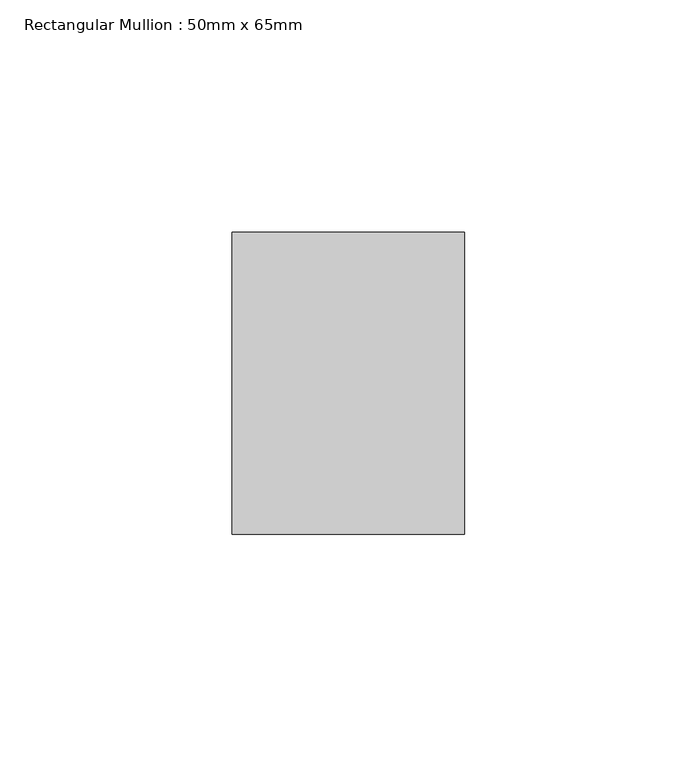
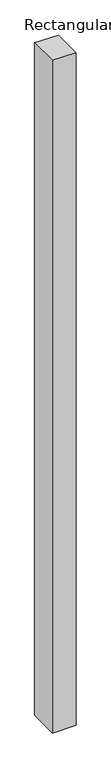
"""IFC4 building model written with IfcOpenShell, lengths in millimetres: member geometry, Rectangular Mullion : 50mm x 65mm."""

from ifc_helpers import new_model, si_unit, origin, place, context, project, spatial, faceted_brep, source, transform, mapped, element, save


def rectangular_mullion_50mm_x_65mm_54551a6b(model_context):
    return source(origin(), model_context, "Body", "Brep", [
        faceted_brep([(-25.0, 32.5, -0.2027386), (25.0, 32.5, -0.2027375), (25.0, 32.5, -1499.8926517), (-25.0, 32.5, -1499.892651), (-25.0, -32.5, 0.2027375), (-25.0, -32.5, -1500.1073119), (25.0, -32.5, 0.2027386), (25.0, -32.5, -1500.1073126)], [[[0, 1, 2, 3]], [[4, 0, 3, 5]], [[6, 4, 5, 7]], [[1, 6, 7, 2]], [[1, 0, 4, 6]], [[2, 7, 5, 3]]]),
    ])


if __name__ == "__main__":
    model = new_model("IFC4")
    model_context = context("Model", 3, world=origin())
    ifc_project = project(units=[si_unit("LENGTHUNIT", "METRE", prefix="MILLI")], contexts=[model_context])
    site = spatial("IfcSite", under=ifc_project)
    building = spatial("IfcBuilding", under=site)
    placement = place(None, origin())
    rectangular_mullion_50mm_x_65mm_shape = rectangular_mullion_50mm_x_65mm_54551a6b(model_context)
    element("IfcMember", 1, ObjectType="Rectangular Mullion : 50mm x 65mm", at=placement, inside=building, context=model_context, shape_type="MappedRepresentation", body=[
        mapped(rectangular_mullion_50mm_x_65mm_shape, transform((0.0, 0.0, 0.0), x_axis=(1.0, 0.0, 0.0), y_axis=(0.0, 1.0, 0.0), z_axis=(0.0, 0.0, 1.0))),
    ])
    save(model, "model.ifc")
